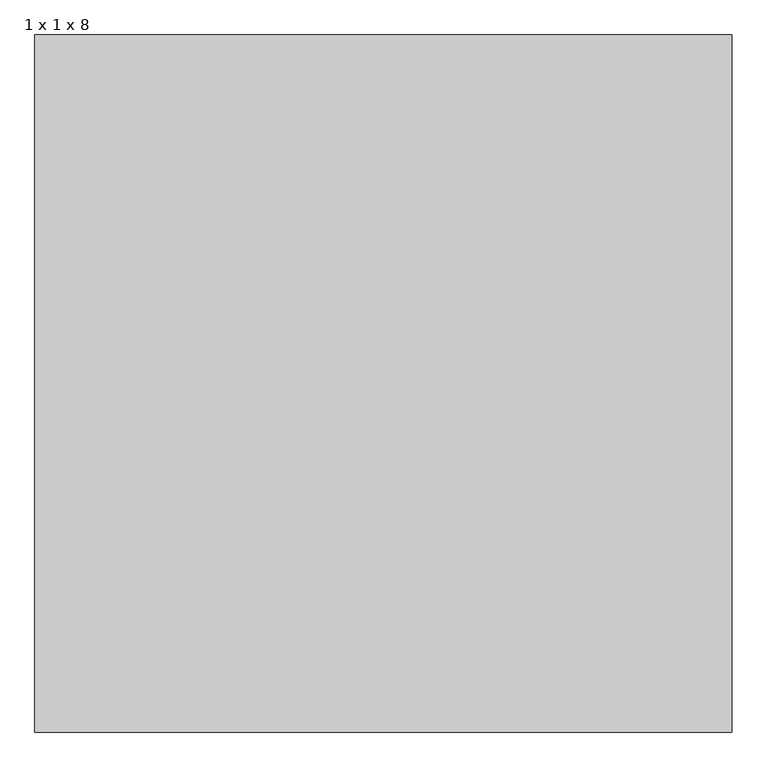
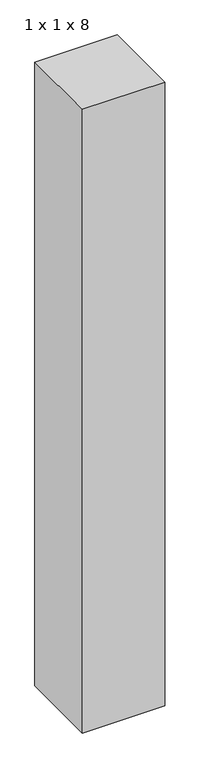
"""IFC4 building model written with IfcOpenShell, lengths in millimetres: proxy geometry, 1 x 1 x 8."""

from ifc_helpers import new_model, si_unit, origin, origin_with_axes, place, context, project, spatial, polyline, outline, extrude, source, transform, mapped, element, save


def proxy_1_x_1_x_8_1589280c(model_context):
    return source(origin(), model_context, "Body", "SweptSolid", [
        extrude(outline(polyline([(1000.0, 1000.0), (1000.0, 0.0), (0.0, 0.0), (0.0, 1000.0), (1000.0, 1000.0)])), origin_with_axes(), (0.0, 0.0, 1.0), 8000.0),
    ])


if __name__ == "__main__":
    model = new_model("IFC4")
    model_context = context("Model", 3, world=origin())
    ifc_project = project(units=[si_unit("LENGTHUNIT", "METRE", prefix="MILLI")], contexts=[model_context])
    site = spatial("IfcSite", under=ifc_project)
    building = spatial("IfcBuilding", under=site)
    placement = place(None, origin())
    proxy_1_x_1_x_8_shape = proxy_1_x_1_x_8_1589280c(model_context)
    element("IfcBuildingElementProxy", 1, Name="1 x 1 x 8", ObjectType="1 x 1 x 8", at=placement, inside=building, context=model_context, shape_type="MappedRepresentation", body=[
        mapped(proxy_1_x_1_x_8_shape, transform((0.0, 0.0, 0.0), x_axis=(1.0, 0.0, 0.0), y_axis=(0.0, 1.0, 0.0), z_axis=(0.0, 0.0, 1.0))),
    ])
    save(model, "model.ifc")
